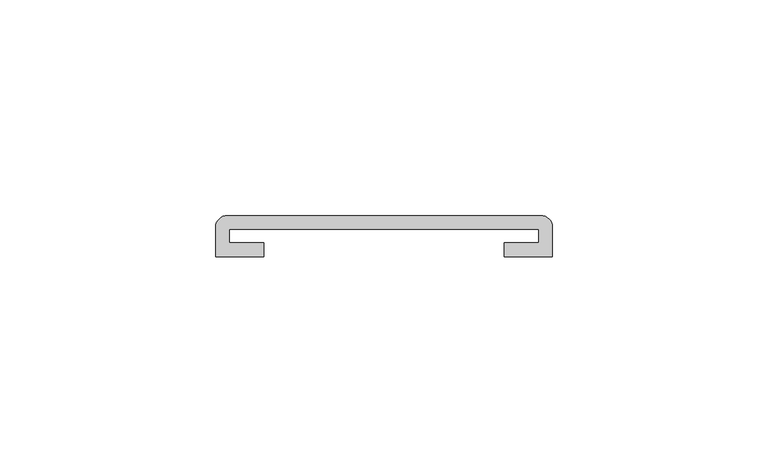
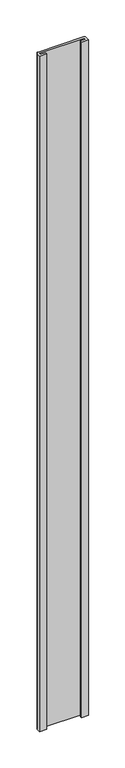
"""IFC4 building model written with IfcOpenShell, lengths in millimetres: furniture geometry."""

from ifc_helpers import new_model, si_unit, point, frame, frame_2d, origin, place, context, project, spatial, polyline, circle_curve, trimmed, segment, composite_curve, outline, extrude, source, transform, mapped, element, save


def furniture_8264308d(model_context):
    return source(origin(), model_context, "Body", "SweptSolid", [
        extrude(outline(composite_curve([segment(polyline([(-39.0921875, 29.5671875), (-39.0921875, 36.3108875)]), True, "CONTINUOUS"), segment(trimmed(circle_curve(frame_2d((-36.3108875, 36.3108875)), 2.7813), [point((-39.0921875, 36.3108875))], [point((-36.3108875, 39.0921875))], False, "CARTESIAN"), True, "CONTINUOUS"), segment(polyline([(-36.3108875, 39.0921875), (36.3331141, 39.0921875)]), True, "CONTINUOUS"), segment(trimmed(circle_curve(frame_2d((36.3331141, 36.3330253)), 2.7591622), [point((36.3331141, 39.0921875))], [point((39.0921875, 36.3108875))], False, "CARTESIAN"), True, "CONTINUOUS"), segment(polyline([(39.0921875, 36.3108875), (39.0921875, 29.5671875), (27.9161879, 29.5671875), (27.9161879, 32.7421875), (35.9171875, 32.7421875), (35.9171875, 35.9171875), (-35.9171875, 35.9171875), (-35.9171875, 32.7421875), (-27.9161879, 32.7421875), (-27.9161879, 29.5671875), (-39.0921875, 29.5671875)]), True, "CONTINUOUS")], self_intersect=False)), frame((0.0, 0.0, 14.2875), z_axis=(0.0, 0.0, 1.0), x_axis=(1.0, 0.0, 0.0)), (0.0, 0.0, 1.0), 1136.0546875),
    ])


if __name__ == "__main__":
    model = new_model("IFC4")
    model_context = context("Model", 3, world=origin())
    ifc_project = project(units=[si_unit("LENGTHUNIT", "METRE", prefix="MILLI")], contexts=[model_context])
    site = spatial("IfcSite", under=ifc_project)
    building = spatial("IfcBuilding", under=site)
    placement = place(None, origin())
    furniture_shape = furniture_8264308d(model_context)
    element("IfcFurniture", 1, at=placement, inside=building, context=model_context, shape_type="MappedRepresentation", body=[
        mapped(furniture_shape, transform((0.0, 0.0, 0.0), x_axis=(1.0, 0.0, 0.0), y_axis=(0.0, 1.0, 0.0), z_axis=(0.0, 0.0, 1.0))),
    ])
    save(model, "model.ifc")
